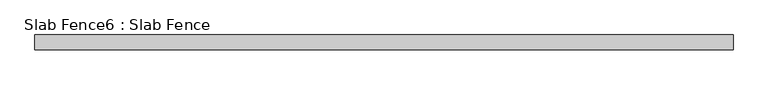
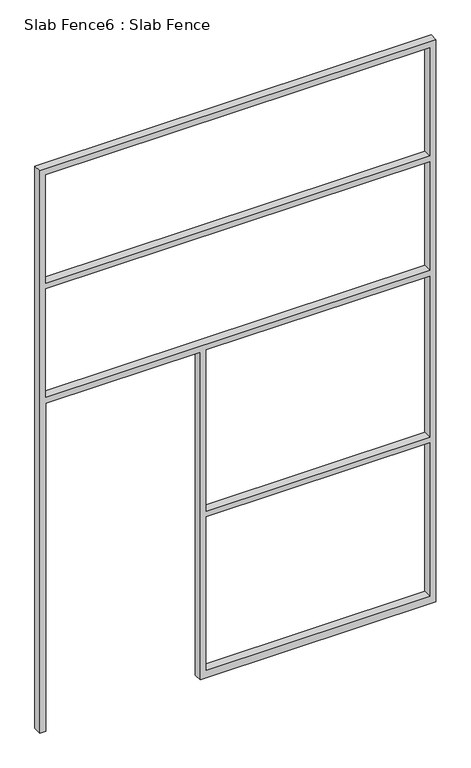
"""IFC4 building model written with IfcOpenShell, lengths in millimetres: proxy geometry, Slab Fence6 : Slab Fence."""

import ifcopenshell
import ifcopenshell.guid

model = None  # the IFC model being written
_history = None  # IfcOwnerHistory: only IFC2X3 demands one
_inside = {}  # id of a spatial element -> (the spatial element, [elements in it])
_under = {}  # id of a project, library or spatial element -> (it, [spatial elements below it])
_declared = {}  # id of a project -> (the project, [libraries it declares])
_typed = {}  # id of a type object -> (the type object, [elements of that type])
_made_of = {}  # id of a material, layer set ... -> (it, [elements and type objects made of it])


def new_model(schema):
    """Start an empty IFC model of exactly this schema.

    Asked for "IFC4X3", IfcOpenShell would pick the latest addendum, in which some entities
    have other attributes; the version numbers below select the first issue.
    IFC2X3 requires an IfcOwnerHistory on every rooted entity: one is made here for all.
    """
    global model, _history
    if schema == "IFC4X3":
        model = ifcopenshell.file(schema_version=(4, 3, 0, 0))
    else:
        model = ifcopenshell.file(schema=schema)
    _inside.clear()
    _under.clear()
    _declared.clear()
    _typed.clear()
    _made_of.clear()
    _history = None
    if model.schema == "IFC2X3":
        org = make("IfcOrganization", Name="unknown")
        user = make(
            "IfcPersonAndOrganization",
            ThePerson=make("IfcPerson", FamilyName="unknown"),
            TheOrganization=org,
        )
        app = make(
            "IfcApplication",
            ApplicationDeveloper=org,
            Version="unknown",
            ApplicationFullName="unknown",
            ApplicationIdentifier="unknown",
        )
        _history = make(
            "IfcOwnerHistory",
            OwningUser=user,
            OwningApplication=app,
            ChangeAction="ADDED",
            CreationDate=0,
        )
    return model


def make(cls, **values):
    """One entity of the class cls with the attributes given. An attribute that is None is left unset."""
    return model.create_entity(
        cls, **{name: value for name, value in values.items() if value is not None}
    )


def rooted(cls, **values):
    """An entity with a GlobalId (a new one), such as an element, a storey or a relation."""
    return make(cls, GlobalId=ifcopenshell.guid.new(), OwnerHistory=_history, **values)


def si_unit(unit_type, name, prefix=None):
    """IfcSIUnit, for example si_unit("LENGTHUNIT", "METRE", prefix="MILLI")."""
    return make("IfcSIUnit", UnitType=unit_type, Prefix=prefix, Name=name)


def assignment(units):
    """IfcUnitAssignment: the units of a project."""
    return None if units is None else make("IfcUnitAssignment", Units=units)


def point(xyz):
    """IfcCartesianPoint."""
    return None if xyz is None else make("IfcCartesianPoint", Coordinates=xyz)


def direction(xyz):
    """IfcDirection."""
    return None if xyz is None else make("IfcDirection", DirectionRatios=xyz)


def frame(location, z_axis=None, x_axis=None):
    """IfcAxis2Placement3D, a coordinate frame: its origin and axes. An axis left out is left unset."""
    return make(
        "IfcAxis2Placement3D",
        Location=point(location),
        Axis=direction(z_axis),
        RefDirection=direction(x_axis),
    )


def origin():
    """The frame at (0, 0, 0) with its axes left unset."""
    return frame((0.0, 0.0, 0.0))


def place(relative_to, where):
    """IfcLocalPlacement: puts the frame where relative to a parent placement (None: the world)."""
    return make(
        "IfcLocalPlacement", PlacementRelTo=relative_to, RelativePlacement=where
    )


def context(
    kind, dimensions, precision=None, world=None, true_north=None, identifier=None
):
    """IfcGeometricRepresentationContext, for example the 3D "Model" context."""
    return make(
        "IfcGeometricRepresentationContext",
        ContextIdentifier=identifier,
        ContextType=kind,
        CoordinateSpaceDimension=dimensions,
        Precision=precision,
        WorldCoordinateSystem=world,
        TrueNorth=true_north,
    )


def project(units=None, contexts=None):
    """IfcProject with its units and contexts."""
    return rooted(
        "IfcProject",
        Name="project",
        RepresentationContexts=contexts,
        UnitsInContext=assignment(units),
    )


def spatial(cls, under=None, at=None, **own):
    """A site, building, storey or space (cls), placed at a placement, below another one or the project."""
    s = rooted(cls, ObjectPlacement=at, **own)
    if under is not None:
        _under.setdefault(under.id(), (under, []))[1].append(s)
    return s


def polyline(points):
    """IfcPolyline through the points."""
    return make("IfcPolyline", Points=[point(p) for p in points])


def outline(outer, holes=None, kind="AREA"):
    """IfcArbitraryClosedProfileDef: a profile drawn as a closed curve; with holes, ...WithVoids."""
    if holes is None:
        return make("IfcArbitraryClosedProfileDef", ProfileType=kind, OuterCurve=outer)
    return make(
        "IfcArbitraryProfileDefWithVoids",
        ProfileType=kind,
        OuterCurve=outer,
        InnerCurves=holes,
    )


def extrude(swept, where, along, depth):
    """IfcExtrudedAreaSolid: the profile swept, set in the frame where, extruded along a direction by depth."""
    return make(
        "IfcExtrudedAreaSolid",
        SweptArea=swept,
        Position=where,
        ExtrudedDirection=direction(along),
        Depth=depth,
    )


def shape(context_of_items, identifier, shape_type, items):
    """IfcShapeRepresentation: the items that make up one representation, for example the "Body"."""
    return make(
        "IfcShapeRepresentation",
        ContextOfItems=context_of_items,
        RepresentationIdentifier=identifier,
        RepresentationType=shape_type,
        Items=items,
    )


def source(mapping_origin, context_of_items, identifier, shape_type, items):
    """IfcRepresentationMap: a shape defined once, which mapped items show again and again."""
    return make(
        "IfcRepresentationMap",
        MappingOrigin=mapping_origin,
        MappedRepresentation=shape(context_of_items, identifier, shape_type, items),
    )


def transform(
    local_origin,
    x_axis=None,
    y_axis=None,
    z_axis=None,
    scale=None,
    scale2=None,
    scale3=None,
    uniform=True,
):
    """IfcCartesianTransformationOperator3D, or its non-uniform kind. x_axis, y_axis, z_axis: its Axis1, 2, 3."""
    if uniform:
        return make(
            "IfcCartesianTransformationOperator3D",
            Axis1=direction(x_axis),
            Axis2=direction(y_axis),
            LocalOrigin=point(local_origin),
            Scale=scale,
            Axis3=direction(z_axis),
        )
    return make(
        "IfcCartesianTransformationOperator3DnonUniform",
        Axis1=direction(x_axis),
        Axis2=direction(y_axis),
        LocalOrigin=point(local_origin),
        Scale=scale,
        Axis3=direction(z_axis),
        Scale2=scale2,
        Scale3=scale3,
    )


def mapped(mapping_source, mapping_target):
    """IfcMappedItem: shows the shape of a source again, moved by a transform."""
    return make(
        "IfcMappedItem", MappingSource=mapping_source, MappingTarget=mapping_target
    )


def made_of(thing, what):
    """Note that an element or type object is made of a material, layer set ...; save() writes the relation."""
    if what is not None:
        _made_of.setdefault(what.id(), (what, []))[1].append(thing)
    return thing


def element(
    cls,
    number,
    at=None,
    inside=None,
    cuts=None,
    type_object=None,
    material=None,
    context=None,
    identifier="Body",
    shape_type=None,
    held_by="IfcProductDefinitionShape",
    body=None,
    shapes=None,
    **own,
):
    """One element of the class cls, such as IfcWall. Its Tag is "e" and its number.

    at: its placement. inside: the storey or other place that contains it. cuts: it is an
    opening in that element (IfcRelVoidsElement). A single representation is given by context,
    identifier, shape_type and body (its items); several are given by shapes. held_by: the class
    of the entity that holds the representations. save() writes the other relations.
    """
    e = rooted(cls, Tag="e%d" % number, ObjectPlacement=at, **own)
    if body is not None:
        shapes = [shape(context, identifier, shape_type, body)]
    if shapes is not None:
        e.Representation = make(held_by, Representations=shapes)
    if inside is not None:
        _inside.setdefault(inside.id(), (inside, []))[1].append(e)
    if cuts is not None:
        rooted(
            "IfcRelVoidsElement", RelatingBuildingElement=cuts, RelatedOpeningElement=e
        )
    if type_object is not None:
        _typed.setdefault(type_object.id(), (type_object, []))[1].append(e)
    return made_of(e, material)


def aggregate(whole, parts):
    """IfcRelAggregates: a whole, such as a stair, and the parts it consists of."""
    return rooted("IfcRelAggregates", RelatingObject=whole, RelatedObjects=parts)


def save(model, path):
    """Write the relations noted so far, then the file.

    IfcRelAggregates (storeys below a building ...), IfcRelContainedInSpatialStructure (elements
    in a storey), IfcRelDefinesByType, IfcRelAssociatesMaterial and IfcRelDeclares: one each for
    every whole, place, type object, material and project.
    """
    for whole, parts in _under.values():
        aggregate(whole, parts)
    for where, things in _inside.values():
        rooted(
            "IfcRelContainedInSpatialStructure",
            RelatedElements=things,
            RelatingStructure=where,
        )
    for kind, things in _typed.values():
        rooted("IfcRelDefinesByType", RelatedObjects=things, RelatingType=kind)
    for what, things in _made_of.values():
        rooted("IfcRelAssociatesMaterial", RelatedObjects=things, RelatingMaterial=what)
    for by, libraries in _declared.values():
        rooted("IfcRelDeclares", RelatingContext=by, RelatedDefinitions=libraries)
    model.write(path)


def slab_fence6_slab_fence_f0e4228b(model_context):
    return source(origin(), model_context, "Body", "SweptSolid", [
        extrude(outline(polyline([(3657.6, -13515.9848205), (0.0, -13515.9848205), (0.0, -13477.8848205), (2133.6, -13477.8848205), (2133.6, -12528.5598205), (0.0, -12528.5598205), (0.0, -12490.4598205), (0.0, -11077.5848205), (3657.6, -11077.5848205), (3657.6, -13515.9848205)]), holes=[polyline([(2876.55, -13477.8848205), (2876.55, -11115.6848205), (2171.7, -11115.6848205), (2171.7, -13477.8848205), (2876.55, -13477.8848205)]), polyline([(3619.5, -11115.6848205), (2914.65, -11115.6848205), (2914.65, -13477.8848205), (3619.5, -13477.8848205), (3619.5, -11115.6848205)]), polyline([(1085.85, -12490.4598205), (2133.6, -12490.4598205), (2133.6, -11115.6848205), (1085.85, -11115.6848205), (1085.85, -12490.4598205)]), polyline([(1047.75, -11115.6848205), (50.8, -11115.6848205), (50.8, -12490.4598205), (1047.75, -12490.4598205), (1047.75, -11115.6848205)])]), frame((0.0, 5176.266085, 0.0), z_axis=(0.0, 1.0, 0.0), x_axis=(0.0, 0.0, 1.0)), (0.0, 0.0, 1.0), 52.001598),
    ])


if __name__ == "__main__":
    model = new_model("IFC4")
    model_context = context("Model", 3, world=origin())
    ifc_project = project(units=[si_unit("LENGTHUNIT", "METRE", prefix="MILLI")], contexts=[model_context])
    site = spatial("IfcSite", under=ifc_project)
    building = spatial("IfcBuilding", under=site)
    placement = place(None, origin())
    slab_fence6_slab_fence_shape = slab_fence6_slab_fence_f0e4228b(model_context)
    element("IfcBuildingElementProxy", 1, Name="Slab Fence6 : Slab Fence", ObjectType="Slab Fence6 : Slab Fence", at=placement, inside=building, context=model_context, shape_type="MappedRepresentation", body=[
        mapped(slab_fence6_slab_fence_shape, transform((0.0, 0.0, 0.0), x_axis=(1.0, 0.0, 0.0), y_axis=(0.0, 1.0, 0.0), z_axis=(0.0, 0.0, 1.0))),
    ])
    save(model, "model.ifc")
